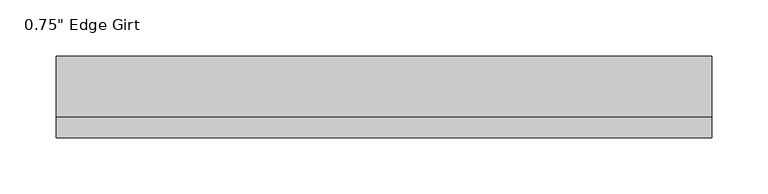
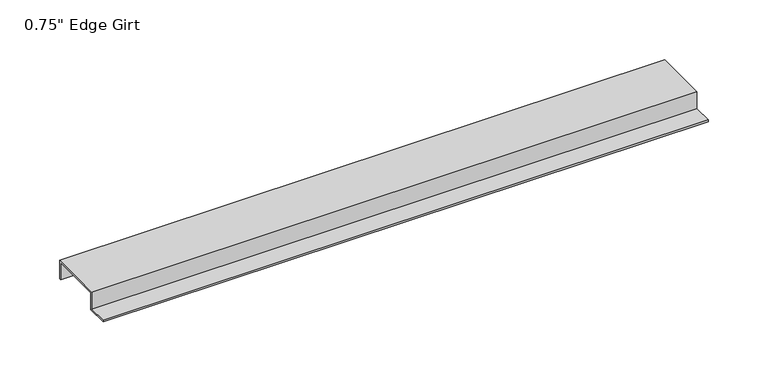
"""IFC4 building model written with IfcOpenShell, lengths in millimetres: proxy geometry."""

from ifc_helpers import new_model, si_unit, frame, origin, place, context, project, spatial, polyline, outline, extrude, source, transform, mapped, element, save


def proxy_c7e084ff(model_context):
    return source(origin(), model_context, "Body", "SweptSolid", [
        extrude(outline(polyline([(-46.0559645, -17.4375), (-46.0559645, -15.8242), (-27.0129, -15.8242), (-27.0129, 1.6129), (27.0129, 1.6129), (27.0129, -17.4375), (25.4, -17.4375), (25.4, 0.0), (-25.4, 0.0), (-25.4, -17.4375), (-46.0559645, -17.4375)])), frame((0.0, 0.0, 0.0), z_axis=(1.0, 0.0, 0.0), x_axis=(0.0, 1.0, 0.0)), (0.0, 0.0, 1.0), 585.6513522),
    ])


if __name__ == "__main__":
    model = new_model("IFC4")
    model_context = context("Model", 3, world=origin())
    ifc_project = project(units=[si_unit("LENGTHUNIT", "METRE", prefix="MILLI")], contexts=[model_context])
    site = spatial("IfcSite", under=ifc_project)
    building = spatial("IfcBuilding", under=site)
    placement = place(None, origin())
    proxy_shape = proxy_c7e084ff(model_context)
    element("IfcBuildingElementProxy", 1, Name="0.75\" Edge Girt", ObjectType="0.75\" Edge Girt", at=placement, inside=building, context=model_context, shape_type="MappedRepresentation", body=[
        mapped(proxy_shape, transform((0.0, 0.0, 0.0), x_axis=(1.0, 0.0, 0.0), y_axis=(0.0, 1.0, 0.0), z_axis=(0.0, 0.0, 1.0))),
    ])
    save(model, "model.ifc")
